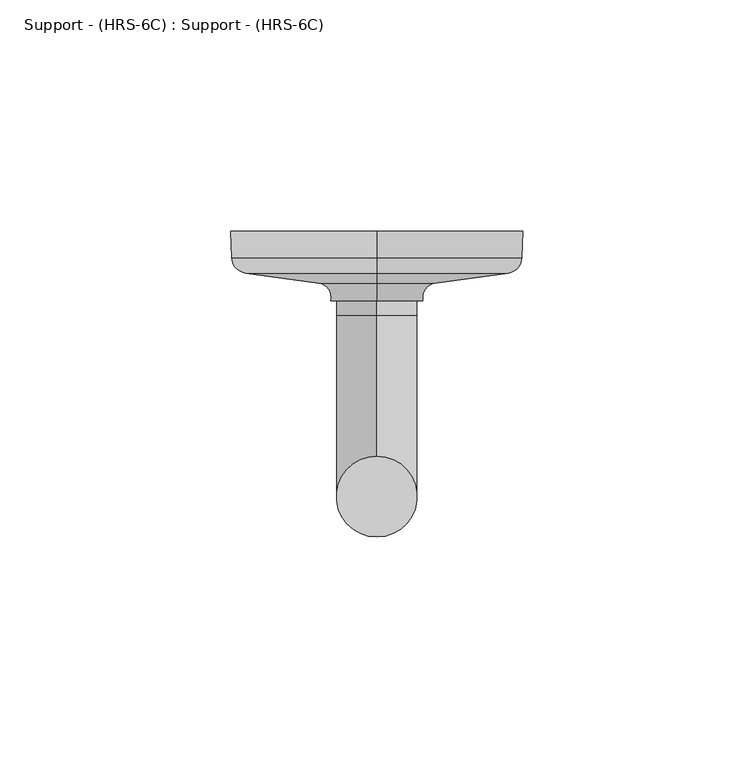
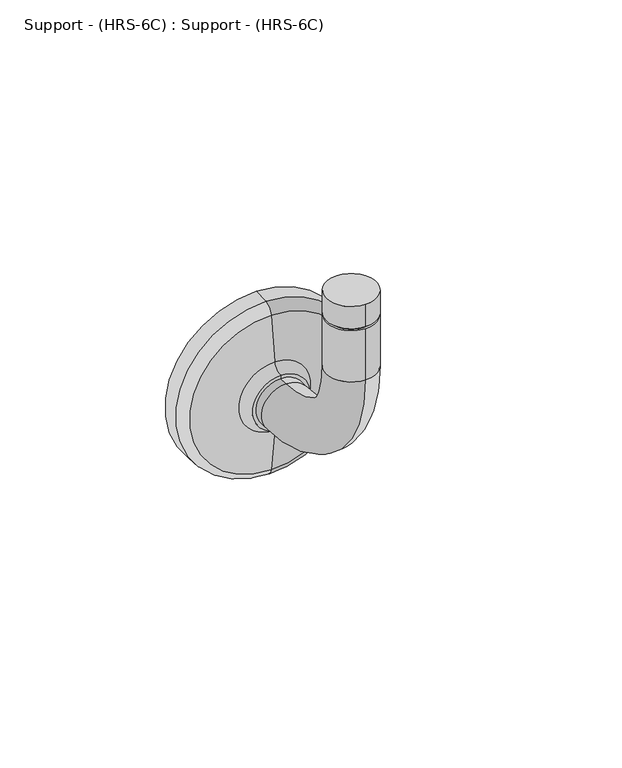
"""IFC4 building model written with IfcOpenShell, lengths in millimetres: proxy geometry, Support - (HRS-6C) : Support - (HRS-6C)."""

from ifc_helpers import new_model, si_unit, point, frame, origin, place, context, project, spatial, polyline, circle_curve, ellipse_curve, trimmed, source, transform, mapped, element, save
from ifc_brep_helpers import plane_surface, cylinder_surface, revolved_surface, advanced_brep


def support_hrs_6c_support_hrs_6c_c46b6674(model_context):
    return source(origin(), model_context, "Body", "AdvancedBrep", [
        advanced_brep(
        [(0.0, 43.6648125, -56.0517338), (0.0, 43.6648125, -73.5142338), (0.0, 40.5459537, -56.0517338), (0.0, 40.5459537, -73.5142338), (0.0, -7.4949093, -25.4733708), (0.0, 9.9675907, -25.4733708), (0.0, 9.9675907, -6.5915254), (0.0, -7.4949093, -6.5915254), (0.0, 9.9675907, 2.3411623), (0.0, -7.4949093, 2.3411623), (0.0, -7.4949093, -5.7977754), (0.0, 9.9675907, -5.7977754), (0.0, -6.7011593, -5.7977754), (0.0, -6.7011593, -6.5915254), (0.0, 9.1738407, -6.5915254), (0.0, 9.1738407, -5.7977754)],
        [
            (0, 1, circle_curve(frame((0.0, 43.6648125, -64.7829838), z_axis=(0.0, 1.0, 0.0), x_axis=(0.0, 0.0, -1.0)), 8.73125)),
            (1, 0, circle_curve(frame((0.0, 43.6648125, -64.7829838), z_axis=(0.0, 1.0, 0.0), x_axis=(0.0, 0.0, -1.0)), 8.73125)),
            (0, 2),
            (2, 3, circle_curve(frame((0.0, 40.5459537, -64.7829838), z_axis=(0.0, 1.0, 0.0), x_axis=(0.0, 0.0, -1.0)), 8.73125)),
            (3, 1),
            (3, 2, circle_curve(frame((0.0, 40.5459537, -64.7829838), z_axis=(0.0, 1.0, 0.0), x_axis=(0.0, 0.0, -1.0)), 8.73125)),
            (4, 5, circle_curve(frame((0.0, 1.2363407, -25.4733708), z_axis=(0.0, 0.0, 1.0), x_axis=(0.0, -1.0, 0.0)), 8.73125)),
            (5, 6),
            (6, 7, circle_curve(frame((0.0, 1.2363407, -6.5915254), z_axis=(0.0, 0.0, -1.0), x_axis=(0.0, -1.0, 0.0)), 8.73125)),
            (7, 4),
            (8, 9, circle_curve(frame((0.0, 1.2363407, 2.3411623), z_axis=(0.0, 0.0, -1.0), x_axis=(0.0, -1.0, 0.0)), 8.73125)),
            (9, 10),
            (10, 11, circle_curve(frame((0.0, 1.2363407, -5.7977754), z_axis=(0.0, 0.0, 1.0), x_axis=(0.0, -1.0, 0.0)), 8.73125)),
            (11, 8),
            (5, 4, circle_curve(frame((0.0, 1.2363407, -25.4733708), z_axis=(0.0, 0.0, 1.0), x_axis=(0.0, -1.0, 0.0)), 8.73125)),
            (7, 6, circle_curve(frame((0.0, 1.2363407, -6.5915254), z_axis=(0.0, 0.0, -1.0), x_axis=(0.0, -1.0, 0.0)), 8.73125)),
            (9, 8, circle_curve(frame((0.0, 1.2363407, 2.3411623), z_axis=(0.0, 0.0, -1.0), x_axis=(0.0, -1.0, 0.0)), 8.73125)),
            (11, 10, circle_curve(frame((0.0, 1.2363407, -5.7977754), z_axis=(0.0, 0.0, 1.0), x_axis=(0.0, -1.0, 0.0)), 8.73125)),
            (12, 13),
            (13, 14, circle_curve(frame((0.0, 1.2363407, -6.5915254), z_axis=(0.0, 0.0, 1.0), x_axis=(0.0, 1.0, 0.0)), 7.9375)),
            (14, 15),
            (15, 12, circle_curve(frame((0.0, 1.2363407, -5.7977754), z_axis=(0.0, 0.0, -1.0), x_axis=(0.0, 1.0, 0.0)), 7.9375)),
            (15, 12, circle_curve(frame((0.0, 1.2363407, -5.7977754), z_axis=(0.0, 0.0, 1.0), x_axis=(0.0, -1.0, 0.0)), 7.9375)),
            (13, 14, circle_curve(frame((0.0, 1.2363407, -6.5915254), z_axis=(0.0, 0.0, -1.0), x_axis=(0.0, -1.0, 0.0)), 7.9375)),
            (2, 5, circle_curve(frame((0.0, 40.5459537, -25.4733708), z_axis=(-1.0, 0.0, 0.0), x_axis=(0.0, 0.0, -1.0)), 30.578363)),
            (4, 3, circle_curve(frame((0.0, 40.5459537, -25.4733708), z_axis=(1.0, 0.0, 0.0), x_axis=(0.0, 0.0, -1.0)), 48.040863)),
        ],
        [
            plane_surface(frame((0.0, 43.6648125, -73.5142338), z_axis=(0.0, 1.0, 0.0), x_axis=(1.0, 0.0, 0.0))),
            cylinder_surface(frame((0.0, 43.6648125, -64.7829838), z_axis=(0.0, 1.0, 0.0), x_axis=(0.0, 0.0, -1.0)), 8.73125),
            cylinder_surface(frame((0.0, 1.2363407, -25.4733708), z_axis=(0.0, 0.0, -1.0), x_axis=(0.0, -1.0, 0.0)), 8.73125),
            cylinder_surface(frame((0.0, 1.2363407, 2.3411623), z_axis=(0.0, 0.0, -1.0), x_axis=(0.0, 1.0, 0.0)), 7.9375),
            plane_surface(frame((0.0, 1.2363407, -5.7977754), z_axis=(0.0, 0.0, -1.0), x_axis=(0.0, -1.0, 0.0))),
            plane_surface(frame((0.0, 1.2363407, -6.5915254), z_axis=(0.0, 0.0, 1.0), x_axis=(0.0, -1.0, 0.0))),
            cylinder_surface(frame((0.0, 1.2363407, 2.3411623), z_axis=(0.0, 0.0, -1.0), x_axis=(0.0, -1.0, 0.0)), 7.9375),
            revolved_surface(trimmed(ellipse_curve(frame((0.0, 40.5459537, -64.7829838), z_axis=(0.0, 1.0, 0.0), x_axis=(0.0, 0.0, -1.0)), 8.73125, 8.73125), [point((0.0, 40.5459537, -56.0517338))], [point((0.0, 40.5459537, -73.5142338))], True, "CARTESIAN"), (0.0, 40.5459537, -25.4733708), (-1.0, 0.0, 0.0)),
            revolved_surface(trimmed(ellipse_curve(frame((0.0, 40.5459537, -64.7829838), z_axis=(0.0, 1.0, 0.0), x_axis=(0.0, 0.0, -1.0)), 8.73125, 8.73125), [point((0.0, 40.5459537, -73.5142338))], [point((0.0, 40.5459537, -56.0517338))], True, "CARTESIAN"), (0.0, 40.5459537, -25.4733708), (-1.0, 0.0, 0.0)),
            plane_surface(frame((0.0, -7.4949093, 2.3411623), z_axis=(0.0, 0.0, 1.0), x_axis=(1.0, 0.0, 0.0))),
        ],
        [
            (0, [[1, 2]]),
            (1, [[-1, 3, 4, 5]]),
            (1, [[-2, -5, 6, -3]]),
            (2, [[7, 8, 9, 10]]),
            (2, [[11, 12, 13, 14]]),
            (2, [[15, -10, 16, -8]]),
            (2, [[17, -14, 18, -12]]),
            (3, [[19, 20, 21, 22]]),
            (4, [[-13, -18], [-22, 23]]),
            (5, [[-9, -16], [-20, 24]]),
            (6, [[-19, -23, -21, -24]]),
            (7, [[-4, 25, -7, 26]]),
            (8, [[-6, -26, -15, -25]]),
            (9, [[-17, -11]]),
        ],
    ),
        advanced_brep(
        [(0.0, 52.9335315, -96.3328755), (0.0, 52.9335315, -33.2330921), (0.0, 58.7375, -33.0303433), (0.0, 58.7375, -96.5356243), (0.0, 49.6357472, -93.3510978), (0.0, 49.6357472, -36.2148698), (0.0, 47.4648294, -77.4239063), (0.0, 47.4648294, -52.1420613), (0.0, 43.6648125, -74.8118033), (0.0, 43.6648125, -54.7541643), (0.0, 43.6648125, -64.7829838), (0.0, 58.7375, -64.7829838)],
        [
            (0, 1, circle_curve(frame((0.0, 52.9335315, -64.7829838), z_axis=(0.0, 1.0, 0.0), x_axis=(0.0, 0.0, 1.0)), 31.5498917)),
            (1, 2),
            (2, 3, circle_curve(frame((0.0, 58.7375, -64.7829838), z_axis=(0.0, -1.0, 0.0), x_axis=(0.0, 0.0, 1.0)), 31.7526405)),
            (3, 0),
            (1, 0, circle_curve(frame((0.0, 52.9335315, -64.7829838), z_axis=(0.0, 1.0, 0.0), x_axis=(0.0, 0.0, 1.0)), 31.5498917)),
            (3, 2, circle_curve(frame((0.0, 58.7375, -64.7829838), z_axis=(0.0, -1.0, 0.0), x_axis=(0.0, 0.0, 1.0)), 31.7526405)),
            (4, 5, circle_curve(frame((0.0, 49.6357472, -64.7829838), z_axis=(0.0, 1.0, 0.0), x_axis=(0.0, 0.0, 1.0)), 28.568114)),
            (5, 1, circle_curve(frame((0.0, 53.0539273, -36.6807767), z_axis=(-1.0, 0.0, 0.0), x_axis=(0.0, 1.0, 0.0)), 3.4497861)),
            (0, 4, circle_curve(frame((0.0, 53.0539273, -92.8851909), z_axis=(-1.0, 0.0, 0.0), x_axis=(0.0, 1.0, 0.0)), 3.4497861)),
            (5, 4, circle_curve(frame((0.0, 49.6357472, -64.7829838), z_axis=(0.0, 1.0, 0.0), x_axis=(0.0, 0.0, 1.0)), 28.568114)),
            (6, 7, circle_curve(frame((0.0, 47.4648294, -64.7829838), z_axis=(0.0, 1.0, 0.0), x_axis=(0.0, 0.0, 1.0)), 12.6409225)),
            (7, 5),
            (4, 6),
            (7, 6, circle_curve(frame((0.0, 47.4648294, -64.7829838), z_axis=(0.0, 1.0, 0.0), x_axis=(0.0, 0.0, 1.0)), 12.6409225)),
            (8, 9, circle_curve(frame((0.0, 43.6648125, -64.7829838), z_axis=(0.0, 1.0, 0.0), x_axis=(0.0, 0.0, 1.0)), 10.0288195)),
            (9, 7, circle_curve(frame((0.0, 44.3778185, -51.7212936), z_axis=(1.0, 0.0, 0.0), x_axis=(0.0, 1.0, 0.0)), 3.1155549)),
            (6, 8, circle_curve(frame((0.0, 44.3778185, -77.844674), z_axis=(1.0, 0.0, 0.0), x_axis=(0.0, 1.0, 0.0)), 3.1155549)),
            (9, 8, circle_curve(frame((0.0, 43.6648125, -64.7829838), z_axis=(0.0, 1.0, 0.0), x_axis=(0.0, 0.0, 1.0)), 10.0288195)),
            (10, 9),
            (8, 10),
            (2, 11),
            (11, 3),
        ],
        [
            revolved_surface(polyline([(0.0, 58.7375, -33.0303433), (0.0, 52.9335315, -33.2330921)]), (0.0, 43.6648125, -64.7829838), (0.0, -1.0, 0.0)),
            revolved_surface(trimmed(ellipse_curve(frame((0.0, 53.0539273, -36.6807767), z_axis=(1.0, 0.0, 0.0), x_axis=(0.0, 1.0, 0.0)), 3.4497861, 3.4497861), [point((0.0, 52.9335315, -33.2330921))], [point((0.0, 49.6357472, -36.2148698))], True, "CARTESIAN"), (0.0, 43.6648125, -64.7829838), (0.0, -1.0, 0.0)),
            revolved_surface(polyline([(0.0, 49.6357472, -36.2148698), (0.0, 47.4648294, -52.1420613)]), (0.0, 43.6648125, -64.7829838), (0.0, -1.0, 0.0)),
            revolved_surface(trimmed(ellipse_curve(frame((0.0, 44.3778185, -51.7212936), z_axis=(-1.0, 0.0, 0.0), x_axis=(0.0, 1.0, 0.0)), 3.1155549, 3.1155549), [point((0.0, 47.4648294, -52.1420613))], [point((0.0, 43.6648125, -54.7541643))], True, "CARTESIAN"), (0.0, 43.6648125, -64.7829838), (0.0, -1.0, 0.0)),
            plane_surface(frame((0.0, 43.6648125, -64.7829838), z_axis=(0.0, -1.0, 0.0), x_axis=(0.0, 0.0, 1.0))),
            plane_surface(frame((0.0, 58.7375, -64.7829838), z_axis=(0.0, 1.0, 0.0), x_axis=(0.0, 0.0, 1.0))),
        ],
        [
            (0, [[1, 2, 3, 4]]),
            (0, [[5, -4, 6, -2]]),
            (1, [[7, 8, -1, 9]]),
            (1, [[10, -9, -5, -8]]),
            (2, [[11, 12, -7, 13]]),
            (2, [[14, -13, -10, -12]]),
            (3, [[15, 16, -11, 17]]),
            (3, [[18, -17, -14, -16]]),
            (4, [[19, -15, 20]]),
            (4, [[-20, -18, -19]]),
            (5, [[-3, 21, 22]]),
            (5, [[-6, -22, -21]]),
        ],
    ),
    ])


if __name__ == "__main__":
    model = new_model("IFC4")
    model_context = context("Model", 3, world=origin())
    ifc_project = project(units=[si_unit("LENGTHUNIT", "METRE", prefix="MILLI")], contexts=[model_context])
    site = spatial("IfcSite", under=ifc_project)
    building = spatial("IfcBuilding", under=site)
    placement = place(None, origin())
    support_hrs_6c_support_hrs_6c_shape = support_hrs_6c_support_hrs_6c_c46b6674(model_context)
    element("IfcBuildingElementProxy", 1, Name="Support - (HRS-6C) : Support - (HRS-6C)", ObjectType="Support - (HRS-6C) : Support - (HRS-6C)", at=placement, inside=building, context=model_context, shape_type="MappedRepresentation", body=[
        mapped(support_hrs_6c_support_hrs_6c_shape, transform((0.0, 0.0, 0.0), x_axis=(1.0, 0.0, 0.0), y_axis=(0.0, 1.0, 0.0), z_axis=(0.0, 0.0, 1.0))),
    ])
    save(model, "model.ifc")
